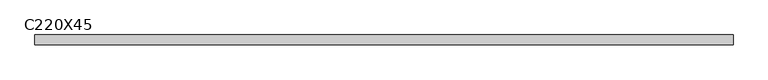
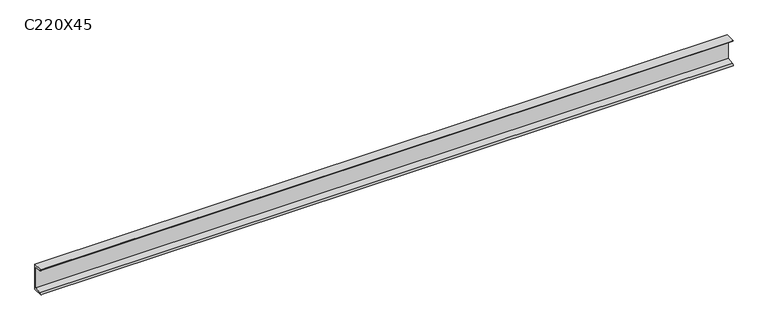
"""IFC4 building model written with IfcOpenShell, lengths in millimetres: beam geometry, C220X45."""

from ifc_helpers import new_model, si_unit, point, frame, frame_2d, origin, place, context, project, spatial, polyline, circle_curve, trimmed, segment, composite_curve, outline, extrude, source, transform, mapped, element, save


def c220x45_60ebbbc1(model_context):
    return source(origin(), model_context, "Body", "SweptSolid", [
        extrude(outline(composite_curve([segment(polyline([(17.0, 110.0), (17.0, -110.0), (-64.0, -110.0)]), True, "CONTINUOUS"), segment(trimmed(circle_curve(frame_2d((-51.0, -110.0)), 13.0), [point((-64.0, -110.0))], [point((-51.0, -97.0))], False, "CARTESIAN"), True, "CONTINUOUS"), segment(polyline([(-51.0, -97.0), (4.0, -88.2888558), (4.0, 88.2888558), (-51.0, 97.0)]), True, "CONTINUOUS"), segment(trimmed(circle_curve(frame_2d((-51.0, 110.0)), 13.0), [point((-51.0, 97.0))], [point((-64.0, 110.0))], False, "CARTESIAN"), True, "CONTINUOUS"), segment(polyline([(-64.0, 110.0), (17.0, 110.0)]), True, "CONTINUOUS")], self_intersect=False)), frame((-2877.0, 0.0, 0.0), z_axis=(1.0, 0.0, 0.0), x_axis=(0.0, 1.0, 0.0)), (0.0, 0.0, 1.0), 5754.0),
    ])


if __name__ == "__main__":
    model = new_model("IFC4")
    model_context = context("Model", 3, world=origin())
    ifc_project = project(units=[si_unit("LENGTHUNIT", "METRE", prefix="MILLI")], contexts=[model_context])
    site = spatial("IfcSite", under=ifc_project)
    building = spatial("IfcBuilding", under=site)
    placement = place(None, origin())
    c220x45_shape = c220x45_60ebbbc1(model_context)
    element("IfcBeam", 1, ObjectType="C220X45", at=placement, inside=building, context=model_context, shape_type="MappedRepresentation", body=[
        mapped(c220x45_shape, transform((0.0, 0.0, 0.0), x_axis=(1.0, 0.0, 0.0), y_axis=(0.0, 1.0, 0.0), z_axis=(0.0, 0.0, 1.0))),
    ])
    save(model, "model.ifc")
